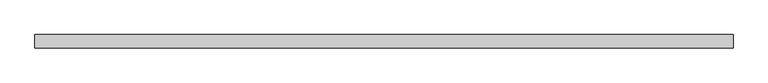
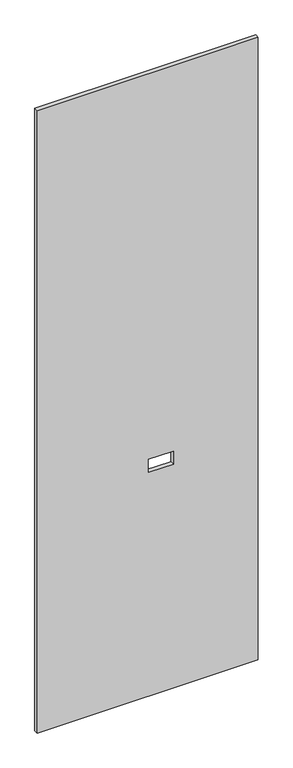
"""IFC4 building model written with IfcOpenShell, lengths in millimetres: proxy geometry."""

from ifc_helpers import new_model, si_unit, frame, origin, place, context, project, spatial, polyline, outline, extrude, source, transform, mapped, element, save


def specialty_equipment_b3596e26(model_context):
    return source(origin(), model_context, "Body", "SweptSolid", [
        extrude(outline(polyline([(3016.25, -506.1204), (3.175, -506.1204), (3.175, 506.1204), (3016.25, 506.1204), (3016.25, -506.1204)]), holes=[polyline([(1086.485, 118.872), (1086.485, 4.064), (1148.715, 4.064), (1148.715, 118.872), (1086.485, 118.872)])]), frame((0.0, -9.525, 0.0), z_axis=(0.0, 1.0, 0.0), x_axis=(0.0, 0.0, 1.0)), (0.0, 0.0, 1.0), 19.05),
    ])


if __name__ == "__main__":
    model = new_model("IFC4")
    model_context = context("Model", 3, world=origin())
    ifc_project = project(units=[si_unit("LENGTHUNIT", "METRE", prefix="MILLI")], contexts=[model_context])
    site = spatial("IfcSite", under=ifc_project)
    building = spatial("IfcBuilding", under=site)
    placement = place(None, origin())
    specialty_equipment_shape = specialty_equipment_b3596e26(model_context)
    element("IfcBuildingElementProxy", 1, Name="Specialty Equipment", at=placement, inside=building, context=model_context, shape_type="MappedRepresentation", body=[
        mapped(specialty_equipment_shape, transform((0.0, 0.0, 0.0), x_axis=(1.0, 0.0, 0.0), y_axis=(0.0, 1.0, 0.0), z_axis=(0.0, 0.0, 1.0))),
    ])
    save(model, "model.ifc")
